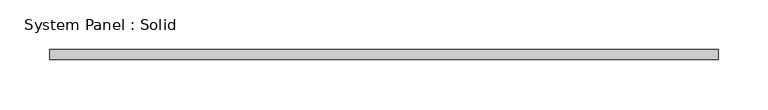
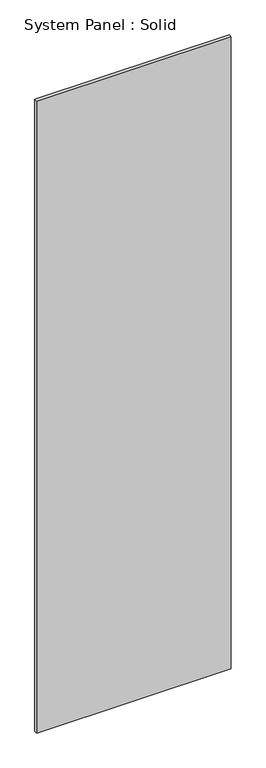
"""IFC4 building model written with IfcOpenShell, lengths in millimetres: plate geometry, System Panel : Solid."""

from ifc_helpers import new_model, si_unit, origin, origin_with_axes, place, context, project, spatial, polyline, outline, extrude, source, transform, mapped, element, save


def system_panel_solid_48c824b6(model_context):
    return source(origin(), model_context, "Body", "SweptSolid", [
        extrude(outline(polyline([(335.0, 95.0), (-335.0, 95.0), (-335.0, 105.0), (335.0, 105.0), (335.0, 95.0)])), origin_with_axes(), (0.0, 0.0, 1.0), 2300.0),
    ])


if __name__ == "__main__":
    model = new_model("IFC4")
    model_context = context("Model", 3, world=origin())
    ifc_project = project(units=[si_unit("LENGTHUNIT", "METRE", prefix="MILLI")], contexts=[model_context])
    site = spatial("IfcSite", under=ifc_project)
    building = spatial("IfcBuilding", under=site)
    placement = place(None, origin())
    system_panel_solid_shape = system_panel_solid_48c824b6(model_context)
    element("IfcPlate", 1, ObjectType="System Panel : Solid", at=placement, inside=building, context=model_context, shape_type="MappedRepresentation", body=[
        mapped(system_panel_solid_shape, transform((0.0, 0.0, 0.0), x_axis=(1.0, 0.0, 0.0), y_axis=(0.0, 1.0, 0.0), z_axis=(0.0, 0.0, 1.0))),
    ])
    save(model, "model.ifc")
